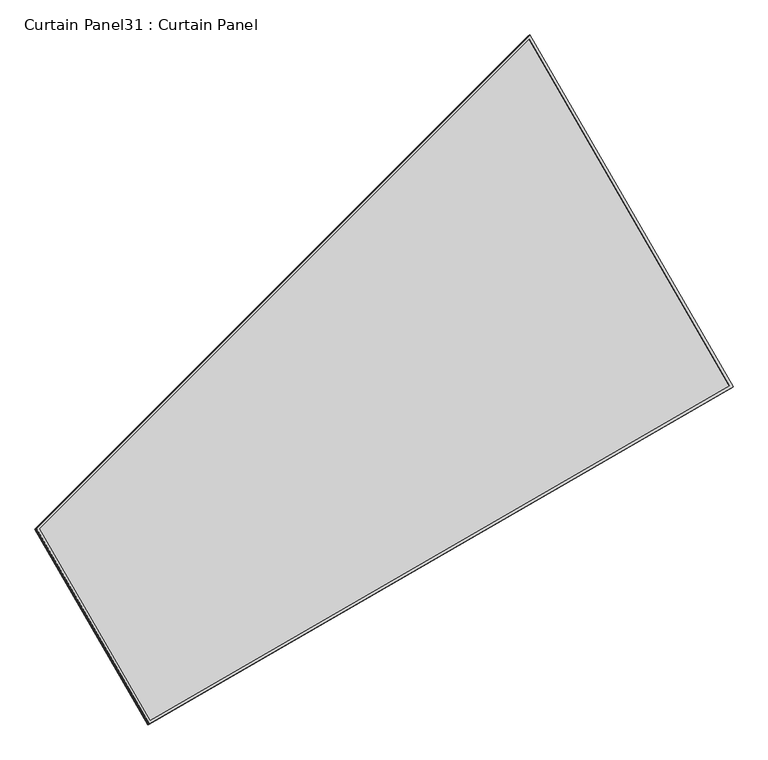
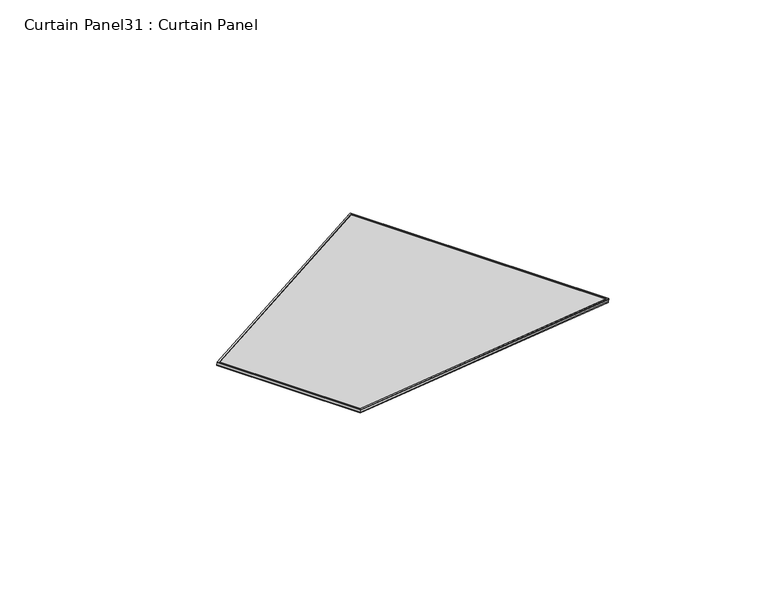
"""IFC4 building model written with IfcOpenShell, lengths in millimetres: plate geometry, Curtain Panel31 : Curtain Panel."""

from ifc_helpers import new_model, si_unit, frame, origin, place, context, project, spatial, polyline, outline, extrude, source, transform, mapped, element, save


def curtain_panel31_curtain_panel_22d4aedb(model_context):
    return source(origin(), model_context, "Body", "SweptSolid", [
        extrude(outline(polyline([(1625.9276573, -2842.2889639), (722.5275941, -2842.288964), (0.0, 0.0), (1625.9276574, 0.0), (1625.9276573, -2842.2889639)]), holes=[polyline([(1614.8151574, -11.1125), (14.2907959, -11.1125), (731.1686564, -2831.176464), (1614.8151573, -2831.176464), (1614.8151574, -11.1125)])]), frame((19155.3681033, 8187.3608172, -25.8793379), z_axis=(0.27379031486168, 0.1580729119869006, 0.9487106081329142), x_axis=(0.4999999999999931, -0.8660254037844427, 0.0)), (0.0, 0.0, 1.0), 4.8026954),
        extrude(outline(polyline([(1625.9276574, -2842.288964), (722.5275942, -2842.288964), (0.0, 0.0), (1625.9276575, 0.0), (1625.9276574, -2842.288964)]), holes=[polyline([(1614.8151575, -11.1125), (14.290796, -11.1125001), (731.1686565, -2831.176464), (1614.8151574, -2831.176464), (1614.8151575, -11.1125)])]), frame((19160.1975421, 8190.1490951, -9.1448532), z_axis=(0.27379031486167976, 0.15807291198690057, 0.9487106081329142), x_axis=(0.49999999999999317, -0.8660254037844426, 0.0)), (0.0, 0.0, 1.0), 4.8296256),
        extrude(outline(polyline([(25.6676551, -1e-07), (1651.5953125, 0.0), (1651.5953126, -2842.288964), (748.1952494, -2842.288964), (25.6676551, -1e-07)])), frame((19143.8492072, 8210.3488347, -21.3229698), z_axis=(0.27379031486168015, 0.15807291198690004, 0.9487106081329143), x_axis=(0.4999999999999907, -0.8660254037844441, 0.0)), (0.0, 0.0, 1.0), 12.8364925),
    ])


if __name__ == "__main__":
    model = new_model("IFC4")
    model_context = context("Model", 3, world=origin())
    ifc_project = project(units=[si_unit("LENGTHUNIT", "METRE", prefix="MILLI")], contexts=[model_context])
    site = spatial("IfcSite", under=ifc_project)
    building = spatial("IfcBuilding", under=site)
    placement = place(None, origin())
    curtain_panel31_curtain_panel_shape = curtain_panel31_curtain_panel_22d4aedb(model_context)
    element("IfcPlate", 1, ObjectType="Curtain Panel31 : Curtain Panel", at=placement, inside=building, context=model_context, shape_type="MappedRepresentation", body=[
        mapped(curtain_panel31_curtain_panel_shape, transform((0.0, 0.0, 0.0), x_axis=(1.0, 0.0, 0.0), y_axis=(0.0, 1.0, 0.0), z_axis=(0.0, 0.0, 1.0))),
    ])
    save(model, "model.ifc")
